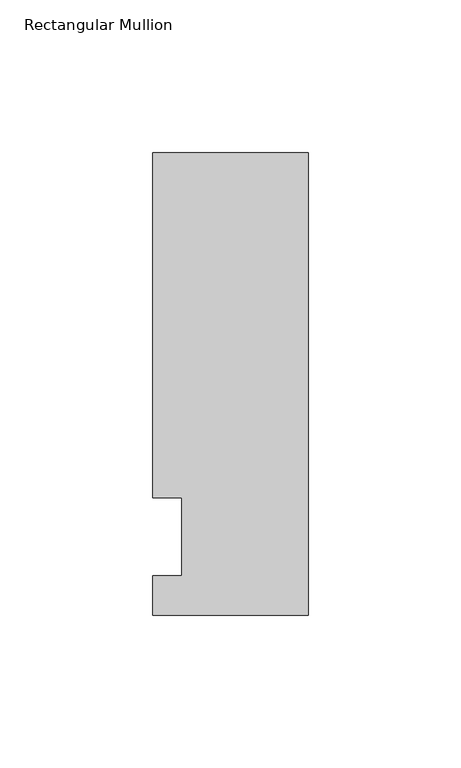
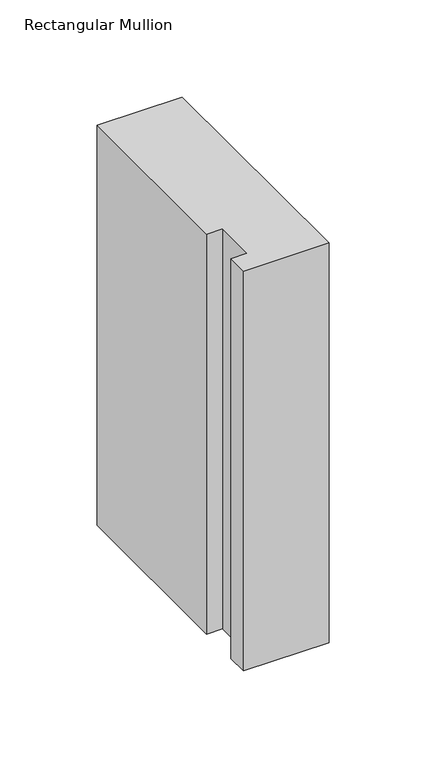
"""IFC4 building model written with IfcOpenShell, lengths in millimetres: member geometry, Rectangular Mullion."""

import ifcopenshell
import ifcopenshell.guid

model = None  # the IFC model being written
_history = None  # IfcOwnerHistory: only IFC2X3 demands one
_inside = {}  # id of a spatial element -> (the spatial element, [elements in it])
_under = {}  # id of a project, library or spatial element -> (it, [spatial elements below it])
_declared = {}  # id of a project -> (the project, [libraries it declares])
_typed = {}  # id of a type object -> (the type object, [elements of that type])
_made_of = {}  # id of a material, layer set ... -> (it, [elements and type objects made of it])


def new_model(schema):
    """Start an empty IFC model of exactly this schema.

    Asked for "IFC4X3", IfcOpenShell would pick the latest addendum, in which some entities
    have other attributes; the version numbers below select the first issue.
    IFC2X3 requires an IfcOwnerHistory on every rooted entity: one is made here for all.
    """
    global model, _history
    if schema == "IFC4X3":
        model = ifcopenshell.file(schema_version=(4, 3, 0, 0))
    else:
        model = ifcopenshell.file(schema=schema)
    _inside.clear()
    _under.clear()
    _declared.clear()
    _typed.clear()
    _made_of.clear()
    _history = None
    if model.schema == "IFC2X3":
        org = make("IfcOrganization", Name="unknown")
        user = make(
            "IfcPersonAndOrganization",
            ThePerson=make("IfcPerson", FamilyName="unknown"),
            TheOrganization=org,
        )
        app = make(
            "IfcApplication",
            ApplicationDeveloper=org,
            Version="unknown",
            ApplicationFullName="unknown",
            ApplicationIdentifier="unknown",
        )
        _history = make(
            "IfcOwnerHistory",
            OwningUser=user,
            OwningApplication=app,
            ChangeAction="ADDED",
            CreationDate=0,
        )
    return model


def make(cls, **values):
    """One entity of the class cls with the attributes given. An attribute that is None is left unset."""
    return model.create_entity(
        cls, **{name: value for name, value in values.items() if value is not None}
    )


def rooted(cls, **values):
    """An entity with a GlobalId (a new one), such as an element, a storey or a relation."""
    return make(cls, GlobalId=ifcopenshell.guid.new(), OwnerHistory=_history, **values)


def si_unit(unit_type, name, prefix=None):
    """IfcSIUnit, for example si_unit("LENGTHUNIT", "METRE", prefix="MILLI")."""
    return make("IfcSIUnit", UnitType=unit_type, Prefix=prefix, Name=name)


def assignment(units):
    """IfcUnitAssignment: the units of a project."""
    return None if units is None else make("IfcUnitAssignment", Units=units)


def point(xyz):
    """IfcCartesianPoint."""
    return None if xyz is None else make("IfcCartesianPoint", Coordinates=xyz)


def direction(xyz):
    """IfcDirection."""
    return None if xyz is None else make("IfcDirection", DirectionRatios=xyz)


def frame(location, z_axis=None, x_axis=None):
    """IfcAxis2Placement3D, a coordinate frame: its origin and axes. An axis left out is left unset."""
    return make(
        "IfcAxis2Placement3D",
        Location=point(location),
        Axis=direction(z_axis),
        RefDirection=direction(x_axis),
    )


def origin():
    """The frame at (0, 0, 0) with its axes left unset."""
    return frame((0.0, 0.0, 0.0))


def place(relative_to, where):
    """IfcLocalPlacement: puts the frame where relative to a parent placement (None: the world)."""
    return make(
        "IfcLocalPlacement", PlacementRelTo=relative_to, RelativePlacement=where
    )


def context(
    kind, dimensions, precision=None, world=None, true_north=None, identifier=None
):
    """IfcGeometricRepresentationContext, for example the 3D "Model" context."""
    return make(
        "IfcGeometricRepresentationContext",
        ContextIdentifier=identifier,
        ContextType=kind,
        CoordinateSpaceDimension=dimensions,
        Precision=precision,
        WorldCoordinateSystem=world,
        TrueNorth=true_north,
    )


def project(units=None, contexts=None):
    """IfcProject with its units and contexts."""
    return rooted(
        "IfcProject",
        Name="project",
        RepresentationContexts=contexts,
        UnitsInContext=assignment(units),
    )


def spatial(cls, under=None, at=None, **own):
    """A site, building, storey or space (cls), placed at a placement, below another one or the project."""
    s = rooted(cls, ObjectPlacement=at, **own)
    if under is not None:
        _under.setdefault(under.id(), (under, []))[1].append(s)
    return s


def polyline(points):
    """IfcPolyline through the points."""
    return make("IfcPolyline", Points=[point(p) for p in points])


def outline(outer, holes=None, kind="AREA"):
    """IfcArbitraryClosedProfileDef: a profile drawn as a closed curve; with holes, ...WithVoids."""
    if holes is None:
        return make("IfcArbitraryClosedProfileDef", ProfileType=kind, OuterCurve=outer)
    return make(
        "IfcArbitraryProfileDefWithVoids",
        ProfileType=kind,
        OuterCurve=outer,
        InnerCurves=holes,
    )


def extrude(swept, where, along, depth):
    """IfcExtrudedAreaSolid: the profile swept, set in the frame where, extruded along a direction by depth."""
    return make(
        "IfcExtrudedAreaSolid",
        SweptArea=swept,
        Position=where,
        ExtrudedDirection=direction(along),
        Depth=depth,
    )


def shape(context_of_items, identifier, shape_type, items):
    """IfcShapeRepresentation: the items that make up one representation, for example the "Body"."""
    return make(
        "IfcShapeRepresentation",
        ContextOfItems=context_of_items,
        RepresentationIdentifier=identifier,
        RepresentationType=shape_type,
        Items=items,
    )


def source(mapping_origin, context_of_items, identifier, shape_type, items):
    """IfcRepresentationMap: a shape defined once, which mapped items show again and again."""
    return make(
        "IfcRepresentationMap",
        MappingOrigin=mapping_origin,
        MappedRepresentation=shape(context_of_items, identifier, shape_type, items),
    )


def transform(
    local_origin,
    x_axis=None,
    y_axis=None,
    z_axis=None,
    scale=None,
    scale2=None,
    scale3=None,
    uniform=True,
):
    """IfcCartesianTransformationOperator3D, or its non-uniform kind. x_axis, y_axis, z_axis: its Axis1, 2, 3."""
    if uniform:
        return make(
            "IfcCartesianTransformationOperator3D",
            Axis1=direction(x_axis),
            Axis2=direction(y_axis),
            LocalOrigin=point(local_origin),
            Scale=scale,
            Axis3=direction(z_axis),
        )
    return make(
        "IfcCartesianTransformationOperator3DnonUniform",
        Axis1=direction(x_axis),
        Axis2=direction(y_axis),
        LocalOrigin=point(local_origin),
        Scale=scale,
        Axis3=direction(z_axis),
        Scale2=scale2,
        Scale3=scale3,
    )


def mapped(mapping_source, mapping_target):
    """IfcMappedItem: shows the shape of a source again, moved by a transform."""
    return make(
        "IfcMappedItem", MappingSource=mapping_source, MappingTarget=mapping_target
    )


def made_of(thing, what):
    """Note that an element or type object is made of a material, layer set ...; save() writes the relation."""
    if what is not None:
        _made_of.setdefault(what.id(), (what, []))[1].append(thing)
    return thing


def element(
    cls,
    number,
    at=None,
    inside=None,
    cuts=None,
    type_object=None,
    material=None,
    context=None,
    identifier="Body",
    shape_type=None,
    held_by="IfcProductDefinitionShape",
    body=None,
    shapes=None,
    **own,
):
    """One element of the class cls, such as IfcWall. Its Tag is "e" and its number.

    at: its placement. inside: the storey or other place that contains it. cuts: it is an
    opening in that element (IfcRelVoidsElement). A single representation is given by context,
    identifier, shape_type and body (its items); several are given by shapes. held_by: the class
    of the entity that holds the representations. save() writes the other relations.
    """
    e = rooted(cls, Tag="e%d" % number, ObjectPlacement=at, **own)
    if body is not None:
        shapes = [shape(context, identifier, shape_type, body)]
    if shapes is not None:
        e.Representation = make(held_by, Representations=shapes)
    if inside is not None:
        _inside.setdefault(inside.id(), (inside, []))[1].append(e)
    if cuts is not None:
        rooted(
            "IfcRelVoidsElement", RelatingBuildingElement=cuts, RelatedOpeningElement=e
        )
    if type_object is not None:
        _typed.setdefault(type_object.id(), (type_object, []))[1].append(e)
    return made_of(e, material)


def aggregate(whole, parts):
    """IfcRelAggregates: a whole, such as a stair, and the parts it consists of."""
    return rooted("IfcRelAggregates", RelatingObject=whole, RelatedObjects=parts)


def save(model, path):
    """Write the relations noted so far, then the file.

    IfcRelAggregates (storeys below a building ...), IfcRelContainedInSpatialStructure (elements
    in a storey), IfcRelDefinesByType, IfcRelAssociatesMaterial and IfcRelDeclares: one each for
    every whole, place, type object, material and project.
    """
    for whole, parts in _under.values():
        aggregate(whole, parts)
    for where, things in _inside.values():
        rooted(
            "IfcRelContainedInSpatialStructure",
            RelatedElements=things,
            RelatingStructure=where,
        )
    for kind, things in _typed.values():
        rooted("IfcRelDefinesByType", RelatedObjects=things, RelatingType=kind)
    for what, things in _made_of.values():
        rooted("IfcRelAssociatesMaterial", RelatedObjects=things, RelatingMaterial=what)
    for by, libraries in _declared.values():
        rooted("IfcRelDeclares", RelatingContext=by, RelatedDefinitions=libraries)
    model.write(path)


def rectangular_mullion_8920b227(model_context):
    return source(origin(), model_context, "Body", "SweptSolid", [
        extrude(outline(polyline([(-50.8, -25.5984375), (-50.8, -12.7), (-41.275, -12.7), (-41.275, 12.7), (-50.8, 12.7), (-50.8, 125.6109375), (0.0, 125.6109375), (0.0, -25.5984375), (-50.8, -25.5984375)])), frame((0.0, 0.0, -251.466413), z_axis=(0.0, 0.0, 1.0), x_axis=(1.0, 0.0, 0.0)), (0.0, 0.0, 1.0), 251.466413),
    ])


if __name__ == "__main__":
    model = new_model("IFC4")
    model_context = context("Model", 3, world=origin())
    ifc_project = project(units=[si_unit("LENGTHUNIT", "METRE", prefix="MILLI")], contexts=[model_context])
    site = spatial("IfcSite", under=ifc_project)
    building = spatial("IfcBuilding", under=site)
    placement = place(None, origin())
    rectangular_mullion_shape = rectangular_mullion_8920b227(model_context)
    element("IfcMember", 1, ObjectType="Rectangular Mullion", at=placement, inside=building, context=model_context, shape_type="MappedRepresentation", body=[
        mapped(rectangular_mullion_shape, transform((0.0, 0.0, 0.0), x_axis=(1.0, 0.0, 0.0), y_axis=(0.0, 1.0, 0.0), z_axis=(0.0, 0.0, 1.0))),
    ])
    save(model, "model.ifc")
